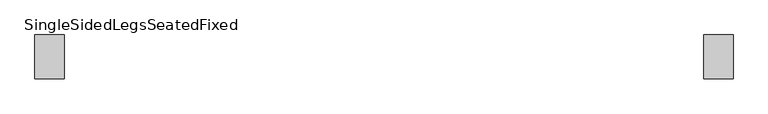
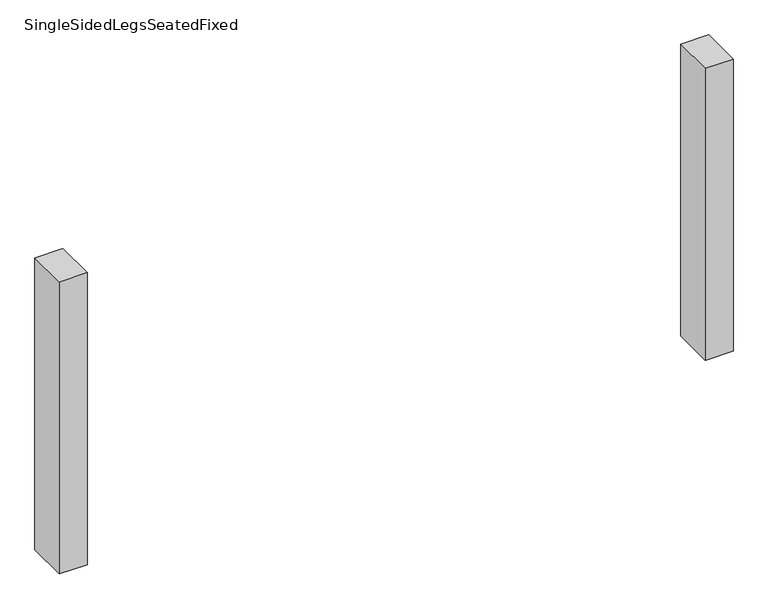
"""IFC4 building model written with IfcOpenShell, lengths in millimetres: furniture geometry, SingleSidedLegsSeatedFixed."""

from ifc_helpers import new_model, si_unit, frame, origin, place, context, project, spatial, polyline, outline, extrude, source, transform, mapped, element, save


def singlesidedlegsseatedfixed_a9d05884(model_context):
    return source(origin(), model_context, "Body", "SweptSolid", [
        extrude(outline(polyline([(659.9999968, -44.9963087), (659.9999968, 45.0036847), (720.0, 45.0036847), (720.0, -44.9963087), (659.9999968, -44.9963087)])), frame((0.0, 0.0, 50.0), z_axis=(0.0, 0.0, 1.0), x_axis=(1.0, 0.0, 0.0)), (0.0, 0.0, 1.0), 660.0),
        extrude(outline(polyline([(-659.9999968, -44.9963087), (-720.0, -44.9963087), (-720.0, 45.0036847), (-659.9999968, 45.0036847), (-659.9999968, -44.9963087)])), frame((0.0, 0.0, 50.0), z_axis=(0.0, 0.0, 1.0), x_axis=(1.0, 0.0, 0.0)), (0.0, 0.0, 1.0), 660.0),
    ])


if __name__ == "__main__":
    model = new_model("IFC4")
    model_context = context("Model", 3, world=origin())
    ifc_project = project(units=[si_unit("LENGTHUNIT", "METRE", prefix="MILLI")], contexts=[model_context])
    site = spatial("IfcSite", under=ifc_project)
    building = spatial("IfcBuilding", under=site)
    placement = place(None, origin())
    singlesidedlegsseatedfixed_shape = singlesidedlegsseatedfixed_a9d05884(model_context)
    element("IfcFurniture", 1, ObjectType="SingleSidedLegsSeatedFixed", at=placement, inside=building, context=model_context, shape_type="MappedRepresentation", body=[
        mapped(singlesidedlegsseatedfixed_shape, transform((0.0, 0.0, 0.0), x_axis=(1.0, 0.0, 0.0), y_axis=(0.0, 1.0, 0.0), z_axis=(0.0, 0.0, 1.0))),
    ])
    save(model, "model.ifc")
